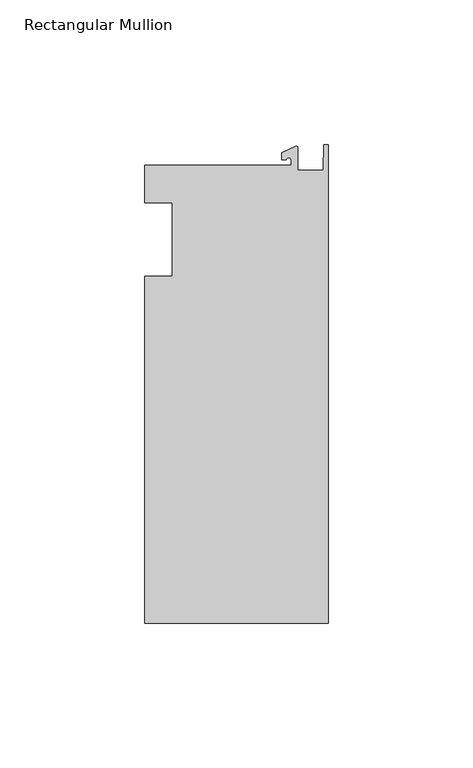
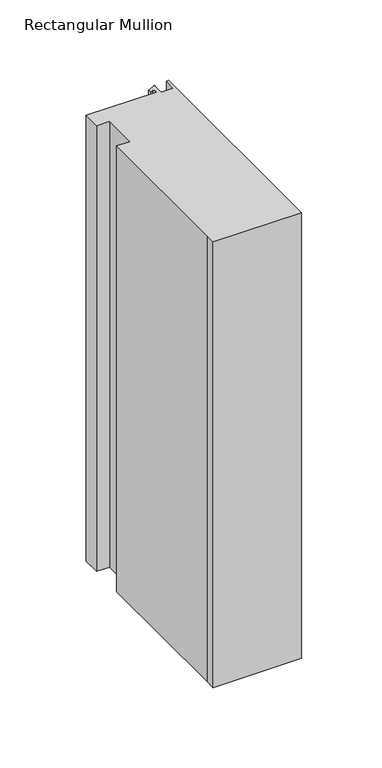
"""IFC4 building model written with IfcOpenShell, lengths in millimetres: member geometry, Rectangular Mullion."""

import ifcopenshell
import ifcopenshell.guid

model = None  # the IFC model being written
_history = None  # IfcOwnerHistory: only IFC2X3 demands one
_inside = {}  # id of a spatial element -> (the spatial element, [elements in it])
_under = {}  # id of a project, library or spatial element -> (it, [spatial elements below it])
_declared = {}  # id of a project -> (the project, [libraries it declares])
_typed = {}  # id of a type object -> (the type object, [elements of that type])
_made_of = {}  # id of a material, layer set ... -> (it, [elements and type objects made of it])


def new_model(schema):
    """Start an empty IFC model of exactly this schema.

    Asked for "IFC4X3", IfcOpenShell would pick the latest addendum, in which some entities
    have other attributes; the version numbers below select the first issue.
    IFC2X3 requires an IfcOwnerHistory on every rooted entity: one is made here for all.
    """
    global model, _history
    if schema == "IFC4X3":
        model = ifcopenshell.file(schema_version=(4, 3, 0, 0))
    else:
        model = ifcopenshell.file(schema=schema)
    _inside.clear()
    _under.clear()
    _declared.clear()
    _typed.clear()
    _made_of.clear()
    _history = None
    if model.schema == "IFC2X3":
        org = make("IfcOrganization", Name="unknown")
        user = make(
            "IfcPersonAndOrganization",
            ThePerson=make("IfcPerson", FamilyName="unknown"),
            TheOrganization=org,
        )
        app = make(
            "IfcApplication",
            ApplicationDeveloper=org,
            Version="unknown",
            ApplicationFullName="unknown",
            ApplicationIdentifier="unknown",
        )
        _history = make(
            "IfcOwnerHistory",
            OwningUser=user,
            OwningApplication=app,
            ChangeAction="ADDED",
            CreationDate=0,
        )
    return model


def make(cls, **values):
    """One entity of the class cls with the attributes given. An attribute that is None is left unset."""
    return model.create_entity(
        cls, **{name: value for name, value in values.items() if value is not None}
    )


def rooted(cls, **values):
    """An entity with a GlobalId (a new one), such as an element, a storey or a relation."""
    return make(cls, GlobalId=ifcopenshell.guid.new(), OwnerHistory=_history, **values)


def si_unit(unit_type, name, prefix=None):
    """IfcSIUnit, for example si_unit("LENGTHUNIT", "METRE", prefix="MILLI")."""
    return make("IfcSIUnit", UnitType=unit_type, Prefix=prefix, Name=name)


def assignment(units):
    """IfcUnitAssignment: the units of a project."""
    return None if units is None else make("IfcUnitAssignment", Units=units)


def point(xyz):
    """IfcCartesianPoint."""
    return None if xyz is None else make("IfcCartesianPoint", Coordinates=xyz)


def direction(xyz):
    """IfcDirection."""
    return None if xyz is None else make("IfcDirection", DirectionRatios=xyz)


def frame(location, z_axis=None, x_axis=None):
    """IfcAxis2Placement3D, a coordinate frame: its origin and axes. An axis left out is left unset."""
    return make(
        "IfcAxis2Placement3D",
        Location=point(location),
        Axis=direction(z_axis),
        RefDirection=direction(x_axis),
    )


def frame_2d(location, x_axis=None):
    """IfcAxis2Placement2D, a coordinate frame in the plane: its origin and x axis."""
    return make(
        "IfcAxis2Placement2D", Location=point(location), RefDirection=direction(x_axis)
    )


def origin():
    """The frame at (0, 0, 0) with its axes left unset."""
    return frame((0.0, 0.0, 0.0))


def place(relative_to, where):
    """IfcLocalPlacement: puts the frame where relative to a parent placement (None: the world)."""
    return make(
        "IfcLocalPlacement", PlacementRelTo=relative_to, RelativePlacement=where
    )


def context(
    kind, dimensions, precision=None, world=None, true_north=None, identifier=None
):
    """IfcGeometricRepresentationContext, for example the 3D "Model" context."""
    return make(
        "IfcGeometricRepresentationContext",
        ContextIdentifier=identifier,
        ContextType=kind,
        CoordinateSpaceDimension=dimensions,
        Precision=precision,
        WorldCoordinateSystem=world,
        TrueNorth=true_north,
    )


def project(units=None, contexts=None):
    """IfcProject with its units and contexts."""
    return rooted(
        "IfcProject",
        Name="project",
        RepresentationContexts=contexts,
        UnitsInContext=assignment(units),
    )


def spatial(cls, under=None, at=None, **own):
    """A site, building, storey or space (cls), placed at a placement, below another one or the project."""
    s = rooted(cls, ObjectPlacement=at, **own)
    if under is not None:
        _under.setdefault(under.id(), (under, []))[1].append(s)
    return s


def polyline(points):
    """IfcPolyline through the points."""
    return make("IfcPolyline", Points=[point(p) for p in points])


def circle_curve(where, radius):
    """IfcCircle in the frame where."""
    return make("IfcCircle", Position=where, Radius=radius)


def trimmed(basis, trim1, trim2, sense, master):
    """IfcTrimmedCurve: the piece of a basis curve between two trims."""
    return make(
        "IfcTrimmedCurve",
        BasisCurve=basis,
        Trim1=trim1,
        Trim2=trim2,
        SenseAgreement=sense,
        MasterRepresentation=master,
    )


def segment(curve, same_sense, transition):
    """IfcCompositeCurveSegment."""
    return make(
        "IfcCompositeCurveSegment",
        Transition=transition,
        SameSense=same_sense,
        ParentCurve=curve,
    )


def composite_curve(segments, self_intersect=None):
    """IfcCompositeCurve: segments joined end to end."""
    return make("IfcCompositeCurve", Segments=segments, SelfIntersect=self_intersect)


def outline(outer, holes=None, kind="AREA"):
    """IfcArbitraryClosedProfileDef: a profile drawn as a closed curve; with holes, ...WithVoids."""
    if holes is None:
        return make("IfcArbitraryClosedProfileDef", ProfileType=kind, OuterCurve=outer)
    return make(
        "IfcArbitraryProfileDefWithVoids",
        ProfileType=kind,
        OuterCurve=outer,
        InnerCurves=holes,
    )


def extrude(swept, where, along, depth):
    """IfcExtrudedAreaSolid: the profile swept, set in the frame where, extruded along a direction by depth."""
    return make(
        "IfcExtrudedAreaSolid",
        SweptArea=swept,
        Position=where,
        ExtrudedDirection=direction(along),
        Depth=depth,
    )


def shape(context_of_items, identifier, shape_type, items):
    """IfcShapeRepresentation: the items that make up one representation, for example the "Body"."""
    return make(
        "IfcShapeRepresentation",
        ContextOfItems=context_of_items,
        RepresentationIdentifier=identifier,
        RepresentationType=shape_type,
        Items=items,
    )


def source(mapping_origin, context_of_items, identifier, shape_type, items):
    """IfcRepresentationMap: a shape defined once, which mapped items show again and again."""
    return make(
        "IfcRepresentationMap",
        MappingOrigin=mapping_origin,
        MappedRepresentation=shape(context_of_items, identifier, shape_type, items),
    )


def transform(
    local_origin,
    x_axis=None,
    y_axis=None,
    z_axis=None,
    scale=None,
    scale2=None,
    scale3=None,
    uniform=True,
):
    """IfcCartesianTransformationOperator3D, or its non-uniform kind. x_axis, y_axis, z_axis: its Axis1, 2, 3."""
    if uniform:
        return make(
            "IfcCartesianTransformationOperator3D",
            Axis1=direction(x_axis),
            Axis2=direction(y_axis),
            LocalOrigin=point(local_origin),
            Scale=scale,
            Axis3=direction(z_axis),
        )
    return make(
        "IfcCartesianTransformationOperator3DnonUniform",
        Axis1=direction(x_axis),
        Axis2=direction(y_axis),
        LocalOrigin=point(local_origin),
        Scale=scale,
        Axis3=direction(z_axis),
        Scale2=scale2,
        Scale3=scale3,
    )


def mapped(mapping_source, mapping_target):
    """IfcMappedItem: shows the shape of a source again, moved by a transform."""
    return make(
        "IfcMappedItem", MappingSource=mapping_source, MappingTarget=mapping_target
    )


def made_of(thing, what):
    """Note that an element or type object is made of a material, layer set ...; save() writes the relation."""
    if what is not None:
        _made_of.setdefault(what.id(), (what, []))[1].append(thing)
    return thing


def element(
    cls,
    number,
    at=None,
    inside=None,
    cuts=None,
    type_object=None,
    material=None,
    context=None,
    identifier="Body",
    shape_type=None,
    held_by="IfcProductDefinitionShape",
    body=None,
    shapes=None,
    **own,
):
    """One element of the class cls, such as IfcWall. Its Tag is "e" and its number.

    at: its placement. inside: the storey or other place that contains it. cuts: it is an
    opening in that element (IfcRelVoidsElement). A single representation is given by context,
    identifier, shape_type and body (its items); several are given by shapes. held_by: the class
    of the entity that holds the representations. save() writes the other relations.
    """
    e = rooted(cls, Tag="e%d" % number, ObjectPlacement=at, **own)
    if body is not None:
        shapes = [shape(context, identifier, shape_type, body)]
    if shapes is not None:
        e.Representation = make(held_by, Representations=shapes)
    if inside is not None:
        _inside.setdefault(inside.id(), (inside, []))[1].append(e)
    if cuts is not None:
        rooted(
            "IfcRelVoidsElement", RelatingBuildingElement=cuts, RelatedOpeningElement=e
        )
    if type_object is not None:
        _typed.setdefault(type_object.id(), (type_object, []))[1].append(e)
    return made_of(e, material)


def aggregate(whole, parts):
    """IfcRelAggregates: a whole, such as a stair, and the parts it consists of."""
    return rooted("IfcRelAggregates", RelatingObject=whole, RelatedObjects=parts)


def save(model, path):
    """Write the relations noted so far, then the file.

    IfcRelAggregates (storeys below a building ...), IfcRelContainedInSpatialStructure (elements
    in a storey), IfcRelDefinesByType, IfcRelAssociatesMaterial and IfcRelDeclares: one each for
    every whole, place, type object, material and project.
    """
    for whole, parts in _under.values():
        aggregate(whole, parts)
    for where, things in _inside.values():
        rooted(
            "IfcRelContainedInSpatialStructure",
            RelatedElements=things,
            RelatingStructure=where,
        )
    for kind, things in _typed.values():
        rooted("IfcRelDefinesByType", RelatedObjects=things, RelatingType=kind)
    for what, things in _made_of.values():
        rooted("IfcRelAssociatesMaterial", RelatedObjects=things, RelatingMaterial=what)
    for by, libraries in _declared.values():
        rooted("IfcRelDeclares", RelatingContext=by, RelatedDefinitions=libraries)
    model.write(path)


def rectangular_mullion_aa909262(model_context):
    return source(origin(), model_context, "Body", "SweptSolid", [
        extrude(outline(composite_curve([segment(polyline([(-12.8216721, 25.5984375), (-12.8216721, 27.5208534)]), True, "CONTINUOUS"), segment(trimmed(circle_curve(frame_2d((-13.6154221, 27.5208534)), 0.79375), [point((-12.8216721, 27.5208534))], [point((-14.4091721, 27.5208534))], True, "CARTESIAN"), True, "CONTINUOUS"), segment(polyline([(-14.4091721, 27.5208534), (-15.9966721, 27.5208534), (-15.9966721, 29.8830527), (-11.1567622, 32.1399398)]), True, "CONTINUOUS"), segment(trimmed(circle_curve(frame_2d((-10.9420721, 31.6795354)), 0.508), [point((-11.1567622, 32.1399398))], [point((-10.4340721, 31.6795354))], False, "CARTESIAN"), True, "CONTINUOUS"), segment(polyline([(-10.4340721, 31.6795354), (-10.4340721, 23.9227662), (-1.7144124, 23.9227662), (-1.5566453, 32.810012), (0.0, 32.810012), (0.0, -132.822512), (-63.5, -132.822512), (-63.5, -125.075512), (-63.5, -12.7), (-53.975, -12.7), (-53.975, 12.7), (-63.5, 12.7), (-63.5, 25.5984375), (-12.8216721, 25.5984375)]), True, "CONTINUOUS")], self_intersect=False)), frame((0.0, 0.0, -338.6666667), z_axis=(0.0, 0.0, 1.0), x_axis=(1.0, 0.0, 0.0)), (0.0, 0.0, 1.0), 338.6666667),
    ])


if __name__ == "__main__":
    model = new_model("IFC4")
    model_context = context("Model", 3, world=origin())
    ifc_project = project(units=[si_unit("LENGTHUNIT", "METRE", prefix="MILLI")], contexts=[model_context])
    site = spatial("IfcSite", under=ifc_project)
    building = spatial("IfcBuilding", under=site)
    placement = place(None, origin())
    rectangular_mullion_shape = rectangular_mullion_aa909262(model_context)
    element("IfcMember", 1, ObjectType="Rectangular Mullion", at=placement, inside=building, context=model_context, shape_type="MappedRepresentation", body=[
        mapped(rectangular_mullion_shape, transform((0.0, 0.0, 0.0), x_axis=(1.0, 0.0, 0.0), y_axis=(0.0, 1.0, 0.0), z_axis=(0.0, 0.0, 1.0))),
    ])
    save(model, "model.ifc")
